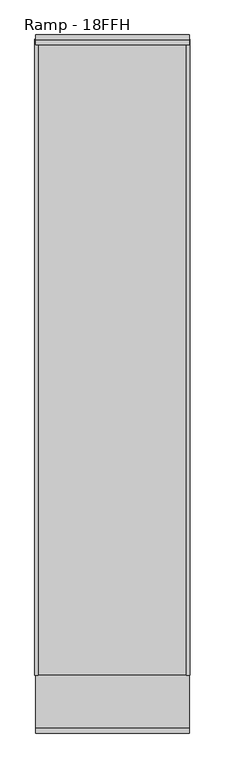
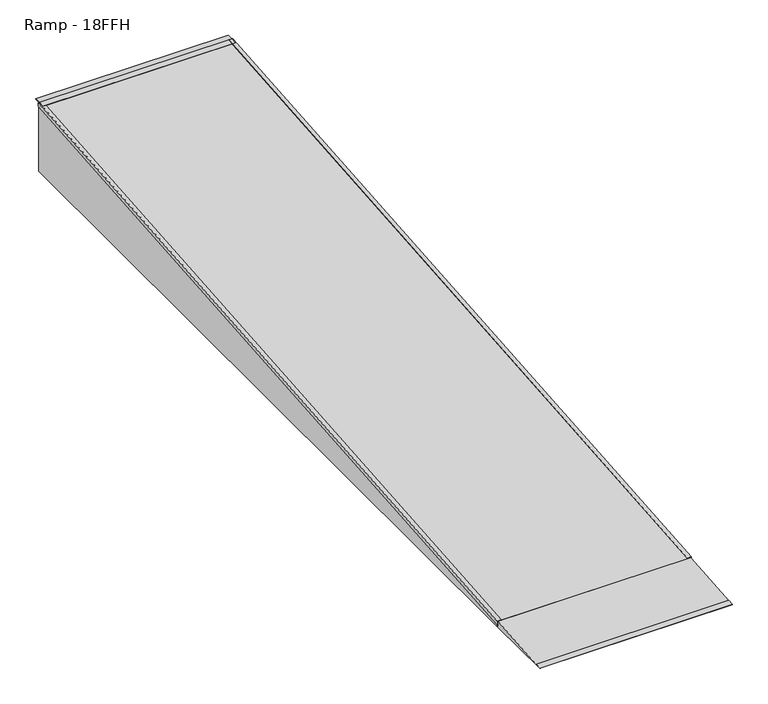
"""IFC4 building model written with IfcOpenShell, lengths in millimetres: proxy geometry, Ramp - 18FFH."""

from ifc_helpers import new_model, si_unit, frame, origin, place, context, project, spatial, polyline, outline, extrude, faceted_brep, source, transform, mapped, element, save


def ramp_18ffh_a1e95950(model_context):
    return source(origin(), model_context, "Body", "SolidModel", [
        faceted_brep([(609.6, 2743.2, 0.0), (588.9625, 2743.2, 0.0), (588.9625, 2743.002248, 2.3730246), (614.3625, 2743.002248, 2.3730246), (614.3625, 2745.1116031, -22.9392377), (611.98125, 2745.1116031, -22.9392377), (611.98125, 2743.2, 0.0), (611.98125, -2284.0883969, -442.0392377), (614.3625, -2284.0883969, -442.0392377), (614.3625, -2286.197752, -416.7269754), (588.9625, -2286.197752, -416.7269754), (588.9625, -2286.0, -419.1), (609.6, -2286.0, -419.1), (609.6, -2282.825, -457.2), (611.98125, -2282.825, -457.2), (609.6, 2743.2, -457.2), (611.98125, 2743.2, -23.0985379), (611.98125, 2743.2, -457.2)], [[[0, 1, 2, 3, 4, 5, 6]], [[7, 8, 9, 10, 11, 12, 13, 14]], [[12, 0, 15, 13]], [[1, 0, 12, 11]], [[2, 1, 11, 10]], [[3, 2, 10, 9]], [[4, 3, 9, 8]], [[5, 4, 8, 7, 16]], [[7, 14, 17, 16]], [[16, 6, 5]], [[15, 17, 14, 13]], [[6, 16, 17, 15, 0]]]),
        faceted_brep([(-611.98125, 2745.1116031, -22.9392377), (-614.3625, 2745.1116031, -22.9392377), (-614.3625, 2743.002248, 2.3730246), (-588.9625, 2743.002248, 2.3730246), (-588.9625, 2743.2, 0.0), (-609.6, 2743.2, 0.0), (-611.98125, 2743.2, 0.0), (-609.6, -2286.0, -419.1), (-588.9625, -2286.0, -419.1), (-588.9625, -2286.197752, -416.7269754), (-614.3625, -2286.197752, -416.7269754), (-614.3625, -2284.0883969, -442.0392377), (-611.98125, -2284.0883969, -442.0392377), (-611.98125, -2282.825, -457.2), (-609.6, -2282.825, -457.2), (-611.98125, 2743.2, -23.0985379), (-611.98125, 2743.2, -457.2), (-609.6, 2743.2, -457.2)], [[[0, 1, 2, 3, 4, 5, 6]], [[7, 8, 9, 10, 11, 12, 13, 14]], [[13, 12, 15, 16]], [[1, 0, 15, 12, 11]], [[2, 1, 11, 10]], [[3, 2, 10, 9]], [[4, 3, 9, 8]], [[5, 4, 8, 7]], [[5, 7, 14, 17]], [[6, 15, 0]], [[16, 17, 14, 13]], [[15, 6, 5, 17, 16]]]),
        extrude(outline(polyline([(-2286.0, -457.2), (-2743.2, -457.2), (-2743.2, -454.025), (-2705.2316066, -450.8609672), (-2705.2316066, -454.0359672), (-2286.0, -419.1), (-2286.0, -457.2)])), frame((-609.6, 0.0, 0.0), z_axis=(1.0, 0.0, 0.0), x_axis=(0.0, 1.0, 0.0)), (0.0, 0.0, 1.0), 1219.2),
        extrude(outline(polyline([(2743.2, -38.2320628), (-2282.8359672, -457.0683934), (-2286.0, -419.1), (2743.2, 0.0), (2743.2, -38.2320628)])), frame((-609.6, 0.0, 0.0), z_axis=(1.0, 0.0, 0.0), x_axis=(0.0, 1.0, 0.0)), (0.0, 0.0, 1.0), 1219.2),
        extrude(outline(polyline([(2705.2316066, -3.1640328), (2704.9679372, 0.0), (2743.0679372, 3.175), (2781.3, 3.175), (2781.3, 0.0), (2743.2, 0.0), (2705.2316066, -3.1640328)])), frame((-609.6, 0.0, 0.0), z_axis=(1.0, 0.0, 0.0), x_axis=(0.0, 1.0, 0.0)), (0.0, 0.0, 1.0), 1219.2),
    ])


if __name__ == "__main__":
    model = new_model("IFC4")
    model_context = context("Model", 3, world=origin())
    ifc_project = project(units=[si_unit("LENGTHUNIT", "METRE", prefix="MILLI")], contexts=[model_context])
    site = spatial("IfcSite", under=ifc_project)
    building = spatial("IfcBuilding", under=site)
    placement = place(None, origin())
    ramp_18ffh_shape = ramp_18ffh_a1e95950(model_context)
    element("IfcBuildingElementProxy", 1, Name="Ramp - 18FFH", ObjectType="Ramp - 18FFH", at=placement, inside=building, context=model_context, shape_type="MappedRepresentation", body=[
        mapped(ramp_18ffh_shape, transform((0.0, 0.0, 0.0), x_axis=(1.0, 0.0, 0.0), y_axis=(0.0, 1.0, 0.0), z_axis=(0.0, 0.0, 1.0))),
    ])
    save(model, "model.ifc")
